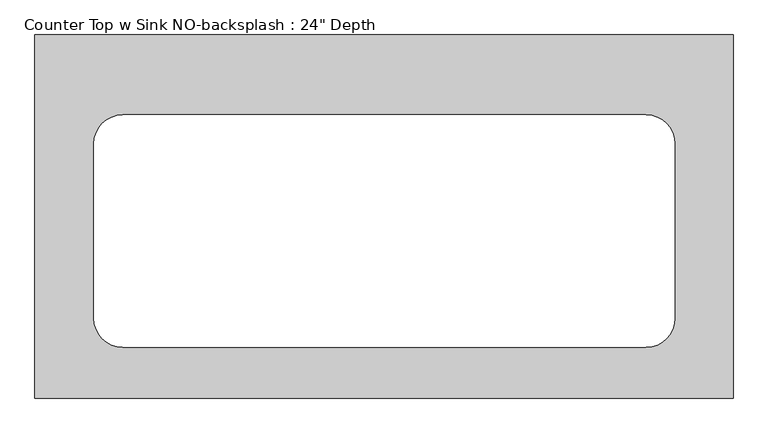
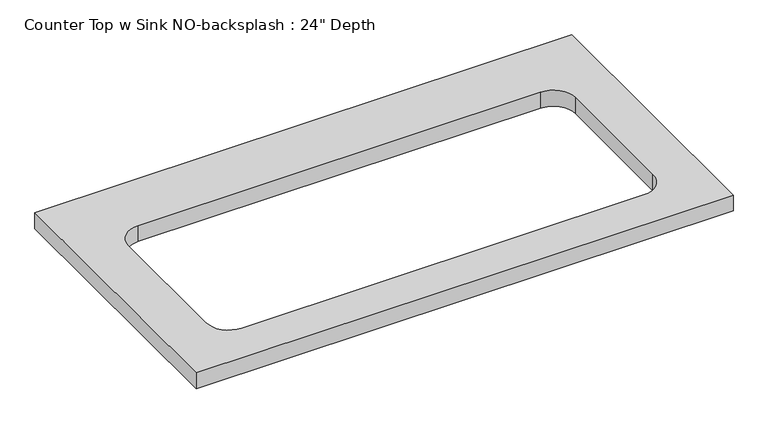
"""IFC4 building model written with IfcOpenShell, lengths in millimetres: furniture geometry."""

from ifc_helpers import new_model, si_unit, point, frame, frame_2d, origin, place, context, project, spatial, polyline, circle_curve, trimmed, segment, composite_curve, outline, extrude, source, transform, mapped, element, save


def furniture_a35951ad(model_context):
    return source(origin(), model_context, "Body", "SweptSolid", [
        extrude(outline(polyline([(20.3252049, 0.0), (20.3252049, -635.0), (-1200.4622951, -635.0), (-1200.4622951, 0.0), (20.3252049, 0.0)]), holes=[composite_curve([segment(polyline([(-132.0747951, -139.7), (-1046.4747951, -139.7)]), True, "CONTINUOUS"), segment(trimmed(circle_curve(frame_2d((-1046.4747951, -190.5)), 50.8), [point((-1046.4747951, -139.7))], [point((-1097.2747951, -190.5))], True, "CARTESIAN"), True, "CONTINUOUS"), segment(polyline([(-1097.2747951, -190.5), (-1097.2747951, -495.3)]), True, "CONTINUOUS"), segment(trimmed(circle_curve(frame_2d((-1046.4747951, -495.3)), 50.8), [point((-1097.2747951, -495.3))], [point((-1046.4747951, -546.1))], True, "CARTESIAN"), True, "CONTINUOUS"), segment(polyline([(-1046.4747951, -546.1), (-132.0747951, -546.1)]), True, "CONTINUOUS"), segment(trimmed(circle_curve(frame_2d((-132.0747951, -495.3)), 50.8), [point((-132.0747951, -546.1))], [point((-81.2747951, -495.3))], True, "CARTESIAN"), True, "CONTINUOUS"), segment(polyline([(-81.2747951, -495.3), (-81.2747951, -190.5)]), True, "CONTINUOUS"), segment(trimmed(circle_curve(frame_2d((-132.0747951, -190.5)), 50.8), [point((-81.2747951, -190.5))], [point((-132.0747951, -139.7))], True, "CARTESIAN"), True, "CONTINUOUS")], self_intersect=False)]), frame((0.0, 0.0, 876.3), z_axis=(0.0, 0.0, 1.0), x_axis=(1.0, 0.0, 0.0)), (0.0, 0.0, 1.0), 38.1),
    ])


if __name__ == "__main__":
    model = new_model("IFC4")
    model_context = context("Model", 3, world=origin())
    ifc_project = project(units=[si_unit("LENGTHUNIT", "METRE", prefix="MILLI")], contexts=[model_context])
    site = spatial("IfcSite", under=ifc_project)
    building = spatial("IfcBuilding", under=site)
    placement = place(None, origin())
    furniture_shape = furniture_a35951ad(model_context)
    element("IfcFurniture", 1, ObjectType="Counter Top w Sink NO-backsplash : 24\" Depth", at=placement, inside=building, context=model_context, shape_type="MappedRepresentation", body=[
        mapped(furniture_shape, transform((0.0, 0.0, 0.0), x_axis=(1.0, 0.0, 0.0), y_axis=(0.0, 1.0, 0.0), z_axis=(0.0, 0.0, 1.0))),
    ])
    save(model, "model.ifc")
